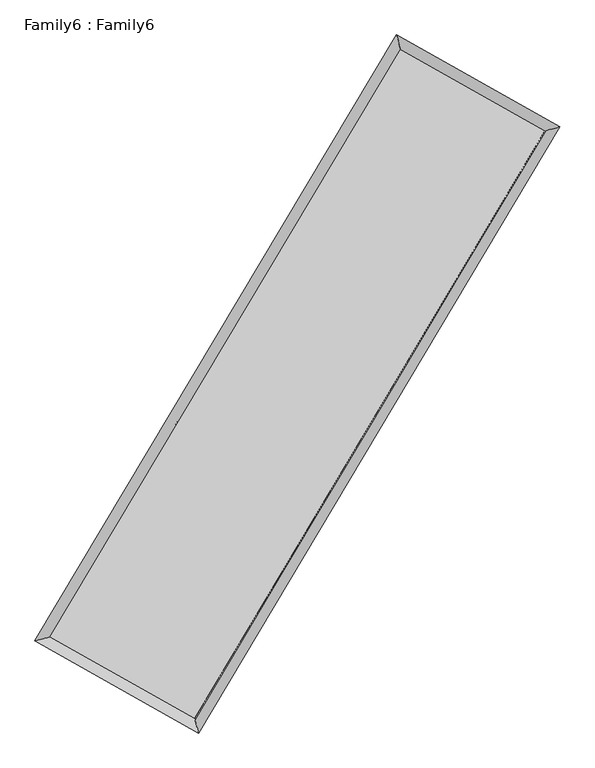
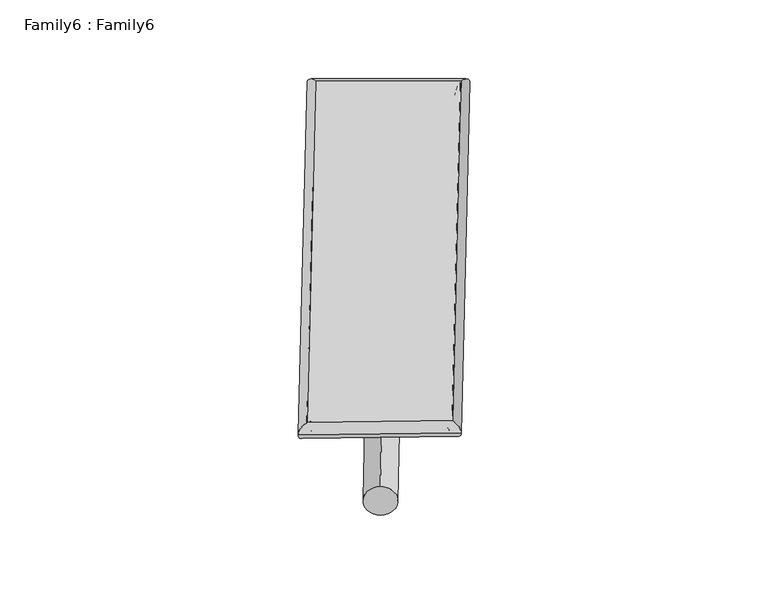
"""IFC4 building model written with IfcOpenShell, lengths in millimetres: plate geometry, Family6 : Family6."""

import ifcopenshell
import ifcopenshell.guid

model = None  # the IFC model being written
_history = None  # IfcOwnerHistory: only IFC2X3 demands one
_inside = {}  # id of a spatial element -> (the spatial element, [elements in it])
_under = {}  # id of a project, library or spatial element -> (it, [spatial elements below it])
_declared = {}  # id of a project -> (the project, [libraries it declares])
_typed = {}  # id of a type object -> (the type object, [elements of that type])
_made_of = {}  # id of a material, layer set ... -> (it, [elements and type objects made of it])


def new_model(schema):
    """Start an empty IFC model of exactly this schema.

    Asked for "IFC4X3", IfcOpenShell would pick the latest addendum, in which some entities
    have other attributes; the version numbers below select the first issue.
    IFC2X3 requires an IfcOwnerHistory on every rooted entity: one is made here for all.
    """
    global model, _history
    if schema == "IFC4X3":
        model = ifcopenshell.file(schema_version=(4, 3, 0, 0))
    else:
        model = ifcopenshell.file(schema=schema)
    _inside.clear()
    _under.clear()
    _declared.clear()
    _typed.clear()
    _made_of.clear()
    _history = None
    if model.schema == "IFC2X3":
        org = make("IfcOrganization", Name="unknown")
        user = make(
            "IfcPersonAndOrganization",
            ThePerson=make("IfcPerson", FamilyName="unknown"),
            TheOrganization=org,
        )
        app = make(
            "IfcApplication",
            ApplicationDeveloper=org,
            Version="unknown",
            ApplicationFullName="unknown",
            ApplicationIdentifier="unknown",
        )
        _history = make(
            "IfcOwnerHistory",
            OwningUser=user,
            OwningApplication=app,
            ChangeAction="ADDED",
            CreationDate=0,
        )
    return model


def make(cls, **values):
    """One entity of the class cls with the attributes given. An attribute that is None is left unset."""
    return model.create_entity(
        cls, **{name: value for name, value in values.items() if value is not None}
    )


def rooted(cls, **values):
    """An entity with a GlobalId (a new one), such as an element, a storey or a relation."""
    return make(cls, GlobalId=ifcopenshell.guid.new(), OwnerHistory=_history, **values)


def si_unit(unit_type, name, prefix=None):
    """IfcSIUnit, for example si_unit("LENGTHUNIT", "METRE", prefix="MILLI")."""
    return make("IfcSIUnit", UnitType=unit_type, Prefix=prefix, Name=name)


def assignment(units):
    """IfcUnitAssignment: the units of a project."""
    return None if units is None else make("IfcUnitAssignment", Units=units)


def point(xyz):
    """IfcCartesianPoint."""
    return None if xyz is None else make("IfcCartesianPoint", Coordinates=xyz)


def direction(xyz):
    """IfcDirection."""
    return None if xyz is None else make("IfcDirection", DirectionRatios=xyz)


def frame(location, z_axis=None, x_axis=None):
    """IfcAxis2Placement3D, a coordinate frame: its origin and axes. An axis left out is left unset."""
    return make(
        "IfcAxis2Placement3D",
        Location=point(location),
        Axis=direction(z_axis),
        RefDirection=direction(x_axis),
    )


def frame_2d(location, x_axis=None):
    """IfcAxis2Placement2D, a coordinate frame in the plane: its origin and x axis."""
    return make(
        "IfcAxis2Placement2D", Location=point(location), RefDirection=direction(x_axis)
    )


def origin():
    """The frame at (0, 0, 0) with its axes left unset."""
    return frame((0.0, 0.0, 0.0))


def origin_2d():
    """The frame at (0, 0) in the plane with its x axis left unset."""
    return frame_2d((0.0, 0.0))


def place(relative_to, where):
    """IfcLocalPlacement: puts the frame where relative to a parent placement (None: the world)."""
    return make(
        "IfcLocalPlacement", PlacementRelTo=relative_to, RelativePlacement=where
    )


def context(
    kind, dimensions, precision=None, world=None, true_north=None, identifier=None
):
    """IfcGeometricRepresentationContext, for example the 3D "Model" context."""
    return make(
        "IfcGeometricRepresentationContext",
        ContextIdentifier=identifier,
        ContextType=kind,
        CoordinateSpaceDimension=dimensions,
        Precision=precision,
        WorldCoordinateSystem=world,
        TrueNorth=true_north,
    )


def project(units=None, contexts=None):
    """IfcProject with its units and contexts."""
    return rooted(
        "IfcProject",
        Name="project",
        RepresentationContexts=contexts,
        UnitsInContext=assignment(units),
    )


def spatial(cls, under=None, at=None, **own):
    """A site, building, storey or space (cls), placed at a placement, below another one or the project."""
    s = rooted(cls, ObjectPlacement=at, **own)
    if under is not None:
        _under.setdefault(under.id(), (under, []))[1].append(s)
    return s


def circle_curve(where, radius):
    """IfcCircle in the frame where."""
    return make("IfcCircle", Position=where, Radius=radius)


def ellipse_curve(where, semi_axis1, semi_axis2):
    """IfcEllipse in the frame where."""
    return make(
        "IfcEllipse", Position=where, SemiAxis1=semi_axis1, SemiAxis2=semi_axis2
    )


def trimmed(basis, trim1, trim2, sense, master):
    """IfcTrimmedCurve: the piece of a basis curve between two trims."""
    return make(
        "IfcTrimmedCurve",
        BasisCurve=basis,
        Trim1=trim1,
        Trim2=trim2,
        SenseAgreement=sense,
        MasterRepresentation=master,
    )


def segment(curve, same_sense, transition):
    """IfcCompositeCurveSegment."""
    return make(
        "IfcCompositeCurveSegment",
        Transition=transition,
        SameSense=same_sense,
        ParentCurve=curve,
    )


def composite_curve(segments, self_intersect=None):
    """IfcCompositeCurve: segments joined end to end."""
    return make("IfcCompositeCurve", Segments=segments, SelfIntersect=self_intersect)


def outline(outer, holes=None, kind="AREA"):
    """IfcArbitraryClosedProfileDef: a profile drawn as a closed curve; with holes, ...WithVoids."""
    if holes is None:
        return make("IfcArbitraryClosedProfileDef", ProfileType=kind, OuterCurve=outer)
    return make(
        "IfcArbitraryProfileDefWithVoids",
        ProfileType=kind,
        OuterCurve=outer,
        InnerCurves=holes,
    )


def extrude(swept, where, along, depth):
    """IfcExtrudedAreaSolid: the profile swept, set in the frame where, extruded along a direction by depth."""
    return make(
        "IfcExtrudedAreaSolid",
        SweptArea=swept,
        Position=where,
        ExtrudedDirection=direction(along),
        Depth=depth,
    )


def shape(context_of_items, identifier, shape_type, items):
    """IfcShapeRepresentation: the items that make up one representation, for example the "Body"."""
    return make(
        "IfcShapeRepresentation",
        ContextOfItems=context_of_items,
        RepresentationIdentifier=identifier,
        RepresentationType=shape_type,
        Items=items,
    )


def source(mapping_origin, context_of_items, identifier, shape_type, items):
    """IfcRepresentationMap: a shape defined once, which mapped items show again and again."""
    return make(
        "IfcRepresentationMap",
        MappingOrigin=mapping_origin,
        MappedRepresentation=shape(context_of_items, identifier, shape_type, items),
    )


def transform(
    local_origin,
    x_axis=None,
    y_axis=None,
    z_axis=None,
    scale=None,
    scale2=None,
    scale3=None,
    uniform=True,
):
    """IfcCartesianTransformationOperator3D, or its non-uniform kind. x_axis, y_axis, z_axis: its Axis1, 2, 3."""
    if uniform:
        return make(
            "IfcCartesianTransformationOperator3D",
            Axis1=direction(x_axis),
            Axis2=direction(y_axis),
            LocalOrigin=point(local_origin),
            Scale=scale,
            Axis3=direction(z_axis),
        )
    return make(
        "IfcCartesianTransformationOperator3DnonUniform",
        Axis1=direction(x_axis),
        Axis2=direction(y_axis),
        LocalOrigin=point(local_origin),
        Scale=scale,
        Axis3=direction(z_axis),
        Scale2=scale2,
        Scale3=scale3,
    )


def mapped(mapping_source, mapping_target):
    """IfcMappedItem: shows the shape of a source again, moved by a transform."""
    return make(
        "IfcMappedItem", MappingSource=mapping_source, MappingTarget=mapping_target
    )


def made_of(thing, what):
    """Note that an element or type object is made of a material, layer set ...; save() writes the relation."""
    if what is not None:
        _made_of.setdefault(what.id(), (what, []))[1].append(thing)
    return thing


def element(
    cls,
    number,
    at=None,
    inside=None,
    cuts=None,
    type_object=None,
    material=None,
    context=None,
    identifier="Body",
    shape_type=None,
    held_by="IfcProductDefinitionShape",
    body=None,
    shapes=None,
    **own,
):
    """One element of the class cls, such as IfcWall. Its Tag is "e" and its number.

    at: its placement. inside: the storey or other place that contains it. cuts: it is an
    opening in that element (IfcRelVoidsElement). A single representation is given by context,
    identifier, shape_type and body (its items); several are given by shapes. held_by: the class
    of the entity that holds the representations. save() writes the other relations.
    """
    e = rooted(cls, Tag="e%d" % number, ObjectPlacement=at, **own)
    if body is not None:
        shapes = [shape(context, identifier, shape_type, body)]
    if shapes is not None:
        e.Representation = make(held_by, Representations=shapes)
    if inside is not None:
        _inside.setdefault(inside.id(), (inside, []))[1].append(e)
    if cuts is not None:
        rooted(
            "IfcRelVoidsElement", RelatingBuildingElement=cuts, RelatedOpeningElement=e
        )
    if type_object is not None:
        _typed.setdefault(type_object.id(), (type_object, []))[1].append(e)
    return made_of(e, material)


def aggregate(whole, parts):
    """IfcRelAggregates: a whole, such as a stair, and the parts it consists of."""
    return rooted("IfcRelAggregates", RelatingObject=whole, RelatedObjects=parts)


def save(model, path):
    """Write the relations noted so far, then the file.

    IfcRelAggregates (storeys below a building ...), IfcRelContainedInSpatialStructure (elements
    in a storey), IfcRelDefinesByType, IfcRelAssociatesMaterial and IfcRelDeclares: one each for
    every whole, place, type object, material and project.
    """
    for whole, parts in _under.values():
        aggregate(whole, parts)
    for where, things in _inside.values():
        rooted(
            "IfcRelContainedInSpatialStructure",
            RelatedElements=things,
            RelatingStructure=where,
        )
    for kind, things in _typed.values():
        rooted("IfcRelDefinesByType", RelatedObjects=things, RelatingType=kind)
    for what, things in _made_of.values():
        rooted("IfcRelAssociatesMaterial", RelatedObjects=things, RelatingMaterial=what)
    for by, libraries in _declared.values():
        rooted("IfcRelDeclares", RelatingContext=by, RelatedDefinitions=libraries)
    model.write(path)


def plane_surface(at):
    """IfcPlane: the flat surface through the origin of the frame at, square to its z axis."""
    return make("IfcPlane", Position=at)


def cylinder_surface(at, radius):
    """IfcCylindricalSurface: all points at the distance radius from the z axis of the frame at."""
    return make("IfcCylindricalSurface", Position=at, Radius=radius)


def spline_surface(u_degree, v_degree, points, u_multiplicities, v_multiplicities, u_knots, v_knots, weights=None):
    """IfcBSplineSurfaceWithKnots; with weights, IfcRationalBSplineSurfaceWithKnots. points: one row for each step in u."""
    own = dict(
        UDegree=u_degree,
        VDegree=v_degree,
        ControlPointsList=[[point(p) for p in row] for row in points],
        SurfaceForm="UNSPECIFIED",
        UClosed=False,
        VClosed=False,
        SelfIntersect=False,
        UMultiplicities=u_multiplicities,
        VMultiplicities=v_multiplicities,
        UKnots=u_knots,
        VKnots=v_knots,
        KnotSpec="UNSPECIFIED",
    )
    if weights is None:
        return make("IfcBSplineSurfaceWithKnots", **own)
    return make("IfcRationalBSplineSurfaceWithKnots", WeightsData=weights, **own)


def advanced_brep(points, edges, surfaces, faces):
    """IfcAdvancedBrep: a solid bounded by faces that lie on surfaces and meet in shared edges.

    An edge is (start, end): straight between two places in points (the first is 0);
    or (start, end, curve); or (start, end, curve, False) where it runs against its curve.
    A face is (place in surfaces, loops), or (place, loops, False) where it looks against
    its surface's normal. A loop lists edges by number (the first is 1), with a minus sign
    where the edge is run from its end to its start. The first loop is the outer one.
    """
    corners = [point(p) for p in points]
    vertices = [make("IfcVertexPoint", VertexGeometry=c) for c in corners]
    made = []
    for start, end, *more in edges:
        made.append(
            make(
                "IfcEdgeCurve",
                EdgeStart=vertices[start],
                EdgeEnd=vertices[end],
                EdgeGeometry=more[0] if more else make("IfcPolyline", Points=[corners[start], corners[end]]),
                SameSense=more[1] if len(more) > 1 else True,
            )
        )
    hull = []
    for where, loops, *sense in faces:
        bounds = []
        for j, loop in enumerate(loops):
            ring = [make("IfcOrientedEdge", EdgeElement=made[abs(k) - 1], Orientation=k > 0) for k in loop]
            bounds.append(
                make(
                    "IfcFaceOuterBound" if j == 0 else "IfcFaceBound",
                    Bound=make("IfcEdgeLoop", EdgeList=ring),
                    Orientation=True,
                )
            )
        hull.append(make("IfcAdvancedFace", Bounds=bounds, FaceSurface=surfaces[where], SameSense=sense[0] if sense else True))
    return make("IfcAdvancedBrep", Outer=make("IfcClosedShell", CfsFaces=hull))


def family6_family6_3b226bf7(model_context):
    return source(origin(), model_context, "Body", "SolidModel", [
        extrude(outline(composite_curve([segment(trimmed(circle_curve(origin_2d(), 76.2), [point((-75.4341514, -10.7763074))], [point((75.4341514, 10.7763074))], False, "CARTESIAN"), True, "CONTINUOUS"), segment(trimmed(circle_curve(origin_2d(), 76.2), [point((75.4341514, 10.7763074))], [point((-75.4341514, -10.7763074))], False, "CARTESIAN"), True, "CONTINUOUS")], self_intersect=False)), frame((9144.0, 9144.0, 0.0), z_axis=(0.6742453755314893, 0.6872444222809548, 0.27034843742496056), x_axis=(-0.6790408651852394, 0.720839177069608, -0.13890422675387493)), (0.0, 0.0, 1.0), 5594.9433661),
        extrude(outline(composite_curve([segment(trimmed(circle_curve(origin_2d(), 76.2), [point((-53.8815367, 53.8815367))], [point((53.8815367, -53.8815367))], False, "CARTESIAN"), True, "CONTINUOUS"), segment(trimmed(circle_curve(origin_2d(), 76.2), [point((53.8815367, -53.8815367))], [point((-53.8815367, 53.8815367))], False, "CARTESIAN"), True, "CONTINUOUS")], self_intersect=False)), frame((9144.0, 9144.0, 0.0), z_axis=(-0.6747363938304459, -0.6867770393683099, 0.2703111115681048), x_axis=(0.6393446966972687, -0.3609005496164498, 0.67896181931801)), (0.0, 0.0, 1.0), 5595.9547663),
        extrude(outline(composite_curve([segment(trimmed(circle_curve(origin_2d(), 76.2), [point((-53.8815367, -53.8815367))], [point((53.8815367, 53.8815367))], False, "CARTESIAN"), True, "CONTINUOUS"), segment(trimmed(circle_curve(origin_2d(), 76.2), [point((53.8815367, 53.8815367))], [point((-53.8815367, -53.8815367))], False, "CARTESIAN"), True, "CONTINUOUS")], self_intersect=False)), frame((9144.0, 9144.0, 0.0), z_axis=(0.28167841431793955, 0.9187993510471273, 0.2765230974488556), x_axis=(-0.8388418966279729, 0.37572200674608847, -0.3939254321674058)), (0.0, 0.0, 1.0), 5540.8368727),
        extrude(outline(composite_curve([segment(trimmed(circle_curve(origin_2d(), 76.2), [point((-75.4341514, 10.7763073))], [point((75.4341514, -10.7763073))], False, "CARTESIAN"), True, "CONTINUOUS"), segment(trimmed(circle_curve(origin_2d(), 76.2), [point((75.4341514, -10.7763073))], [point((-75.4341514, 10.7763073))], False, "CARTESIAN"), True, "CONTINUOUS")], self_intersect=False)), frame((9144.0, 9144.0, 0.0), z_axis=(-0.28092405299461515, -0.9190108503140656, 0.2765876596200505), x_axis=(0.8762001056474488, -0.12799868307165926, 0.46463933539393837)), (0.0, 0.0, 1.0), 5539.5026581),
        advanced_brep(
        [(5157.1540859, 5244.6644261, 1514.2132134), (5579.2708167, 5357.0078961, 1514.6272467), (5579.257236, 5356.9890802, 1511.0842929), (10759.3746355, 14029.225751, 1530.0327742), (10650.0936531, 14440.6088947, 1534.3059747), (5157.1405052, 5244.6456102, 1510.6702596), (12705.4665541, 12932.9814252, 1512.7990836), (13127.2628278, 13045.2058174, 1512.3693094), (7533.0049324, 4258.774937, 1531.7996088), (7642.635991, 3847.4989666, 1532.5165426)],
        [
            (0, 1, ellipse_curve(frame((5368.205661, 5300.8267532, 1512.6487532), z_axis=(-0.2571842785551989, 0.9663534835448059, -0.004146288082158814), x_axis=(-0.966333279101939, -0.25720746380161075, -0.0066568960362293475)), 218.4239575, 152.4)),
            (1, 2, ellipse_curve(frame((5368.205661, 5300.8267532, 1512.6487532), z_axis=(-0.2571842785551989, 0.9663534835448059, -0.004146288082158814), x_axis=(-0.966333279101939, -0.25720746380161075, -0.0066568960362293475)), 218.4239575, 152.4)),
            (2, 3),
            (3, 4, ellipse_curve(frame((10704.7341443, 14234.9173229, 1532.1693745), z_axis=(-0.9664623051993265, -0.2567761380257352, 0.004077691674558124), x_axis=(0.25674513900266777, -0.9664547263631404, -0.00686989729532726)), 212.8370349, 152.4)),
            (4, 0),
            (2, 5, ellipse_curve(frame((5368.205661, 5300.8267532, 1512.6487532), z_axis=(-0.2571842785551989, 0.9663534835448059, -0.004146288082158814), x_axis=(-0.966333279101939, -0.25720746380161075, -0.0066568960362293475)), 218.4239575, 152.4)),
            (5, 0, ellipse_curve(frame((5368.205661, 5300.8267532, 1512.6487532), z_axis=(-0.2571842785551989, 0.9663534835448059, -0.004146288082158814), x_axis=(-0.966333279101939, -0.25720746380161075, -0.0066568960362293475)), 218.4239575, 152.4)),
            (4, 3, ellipse_curve(frame((10704.7341443, 14234.9173229, 1532.1693745), z_axis=(-0.9664623051993265, -0.2567761380257352, 0.004077691674558124), x_axis=(0.25674513900266777, -0.9664547263631404, -0.00686989729532726)), 212.8370349, 152.4)),
            (3, 6),
            (6, 7, ellipse_curve(frame((12916.3646909, 12989.0936213, 1512.5841965), z_axis=(-0.2571117721687784, 0.9663726442750291, 0.004177201110606019), x_axis=(-0.9663521611806711, -0.25713529923031186, 0.006703616276622921)), 218.2390559, 152.4)),
            (7, 4),
            (7, 6, ellipse_curve(frame((12916.3646909, 12989.0936213, 1512.5841965), z_axis=(-0.2571117721687784, 0.9663726442750291, 0.004177201110606019), x_axis=(-0.9663521611806711, -0.25713529923031186, 0.006703616276622921)), 218.2390559, 152.4)),
            (6, 8),
            (8, 9, ellipse_curve(frame((7587.8204617, 4053.1369518, 1532.1580757), z_axis=(0.9662501925609848, 0.2575738256727103, 0.00403605056759627), x_axis=(-0.25754324542683377, 0.966242591704908, -0.0068359864245204965)), 212.8215069, 152.4)),
            (9, 7),
            (9, 8, ellipse_curve(frame((7587.8204617, 4053.1369518, 1532.1580757), z_axis=(0.9662501925609848, 0.2575738256727103, 0.00403605056759627), x_axis=(-0.25754324542683377, 0.966242591704908, -0.0068359864245204965)), 212.8215069, 152.4)),
            (8, 1),
            (5, 9),
        ],
        [
            cylinder_surface(frame((5368.205661, 5300.8267532, 1512.6487532), z_axis=(-0.512803329209269, -0.8585040634386532, -0.0018757961540215957), x_axis=(-0.8584535020473283, 0.5127464909091074, 0.012191016490624469)), 152.4),
            cylinder_surface(frame((10704.7341443, 14234.9173229, 1532.1693745), z_axis=(-0.8712495486507541, 0.4907796825824292, 0.007715383344164561), x_axis=(0.4908276110156541, 0.8712324778529252, 0.00649813811163718)), 152.4),
            cylinder_surface(frame((12916.3646909, 12989.0936213, 1512.5841965), z_axis=(0.5121586067424008, 0.8588888298316644, -0.0018813638875856574), x_axis=(0.8588907339423463, -0.5121586067424008, 0.0005183509051095707)), 152.4),
            cylinder_surface(frame((7587.8204617, 4053.1369518, 1532.1580757), z_axis=(0.8716914704527047, -0.48999518170116524, 0.007661739335406259), x_axis=(-0.48996898231157526, -0.871724855821726, -0.005115868953584833)), 152.4),
        ],
        [
            (0, [[1, 2, 3, 4, 5]]),
            (0, [[6, 7, -5, 8, -3]]),
            (1, [[-4, 9, 10, 11]]),
            (1, [[-8, -11, 12, -9]]),
            (2, [[-10, 13, 14, 15]]),
            (2, [[-12, -15, 16, -13]]),
            (3, [[-14, 17, -1, -7, 18]]),
            (3, [[-16, -18, -6, -2, -17]]),
        ],
    ),
        extrude(outline(composite_curve([segment(trimmed(circle_curve(origin_2d(), 304.8), [point((0.0, -304.8))], [point((0.0, 304.8))], False, "CARTESIAN"), True, "CONTINUOUS"), segment(trimmed(circle_curve(origin_2d(), 304.8), [point((0.0, 304.8))], [point((0.0, -304.8))], False, "CARTESIAN"), True, "CONTINUOUS")], self_intersect=False)), frame((6478.1657838, 4653.4113521, -0.0004543), z_axis=(0.5104746478117179, 0.859892803750267, 8.699038087638062e-08), x_axis=(-0.859892803750271, 0.5104746478117178, 2.3875776040069115e-08)), (0.0, 0.0, 1.0), 10444.5312911),
        advanced_brep(
        [(5368.205661, 5300.8267532, 1512.6487532), (7587.8204617, 4053.1369518, 1532.1580757), (7587.8210436, 4053.1370221, 1684.5580757), (5368.2062428, 5300.8268234, 1665.0487532), (12916.3646909, 12989.0936213, 1512.5841965), (12916.3652728, 12989.0936916, 1664.9841965), (10704.7341443, 14234.9173229, 1532.1693745), (10704.7347262, 14234.9173931, 1684.5693745)],
        [
            (0, 1),
            (1, 2),
            (2, 3),
            (3, 0),
            (1, 4),
            (4, 5),
            (5, 2),
            (4, 6),
            (6, 7),
            (7, 5),
            (6, 0),
            (3, 7),
        ],
        [
            plane_surface(frame((6478.0130613, 4676.9818525, 1522.4034144), z_axis=(-0.4900095794221113, -0.8717170481695314, 2.272661358053169e-06), x_axis=(0.8716914704527048, -0.489995181701165, 0.007661739335406268))),
            plane_surface(frame((10252.0925763, 8521.1152866, 1522.3711361), z_axis=(0.8588903469308646, -0.5121595180602604, -3.043173799681994e-06), x_axis=(0.5121586067424008, 0.8588888298316641, -0.0018813638875856502))),
            plane_surface(frame((11810.5494176, 13612.0054721, 1522.3767855), z_axis=(0.49079427529224867, 0.8712754899199101, -2.275453799665747e-06), x_axis=(-0.8712495486507542, 0.4907796825824292, 0.00771538334416457))),
            plane_surface(frame((8036.4699026, 9767.872038, 1522.4090638), z_axis=(-0.8585055767352641, 0.512804226489215, 3.0414075784282154e-06), x_axis=(-0.5128033292092691, -0.858504063438653, -0.0018757961540215888))),
            spline_surface(1, 1, [[(7587.8210436, 4053.1370221, 1684.5580757), (5368.2062428, 5300.8268234, 1665.0487532)], [(12916.3652728, 12989.0936916, 1664.9841965), (10704.7347262, 14234.9173931, 1684.5693745)]], [2, 2], [2, 2], [0.0, 1.0], [0.0, 1.0]),
            spline_surface(1, 1, [[(10704.7341443, 14234.9173229, 1532.1693745), (5368.205661, 5300.8267532, 1512.6487532)], [(12916.3646909, 12989.0936213, 1512.5841965), (7587.8204617, 4053.1369518, 1532.1580757)]], [2, 2], [2, 2], [0.0, 1.0], [0.0, 1.0]),
        ],
        [
            (0, [[1, 2, 3, 4]]),
            (1, [[5, 6, 7, -2]]),
            (2, [[8, 9, 10, -6]]),
            (3, [[11, -4, 12, -9]]),
            (4, [[-3, -7, -10, -12]]),
            (5, [[-11, -8, -5, -1]]),
        ],
    ),
    ])


if __name__ == "__main__":
    model = new_model("IFC4")
    model_context = context("Model", 3, world=origin())
    ifc_project = project(units=[si_unit("LENGTHUNIT", "METRE", prefix="MILLI")], contexts=[model_context])
    site = spatial("IfcSite", under=ifc_project)
    building = spatial("IfcBuilding", under=site)
    placement = place(None, origin())
    family6_family6_shape = family6_family6_3b226bf7(model_context)
    element("IfcPlate", 1, ObjectType="Family6 : Family6", at=placement, inside=building, context=model_context, shape_type="MappedRepresentation", body=[
        mapped(family6_family6_shape, transform((0.0, 0.0, 0.0), x_axis=(1.0, 0.0, 0.0), y_axis=(0.0, 1.0, 0.0), z_axis=(0.0, 0.0, 1.0))),
    ])
    save(model, "model.ifc")
